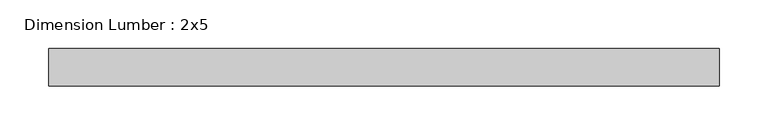
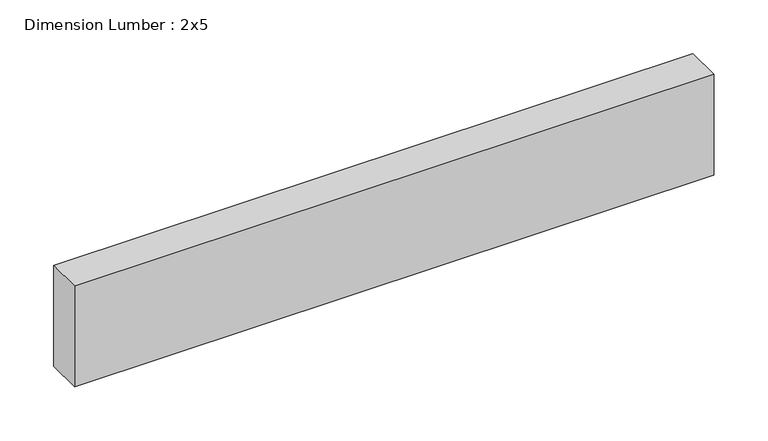
"""IFC4 building model written with IfcOpenShell, lengths in millimetres: beam geometry, Dimension Lumber : 2x5."""

from ifc_helpers import new_model, si_unit, frame, origin, place, context, project, spatial, polyline, outline, extrude, source, transform, mapped, element, save


def dimension_lumber_2x5_8aabe6ad(model_context):
    return source(origin(), model_context, "Body", "SweptSolid", [
        extrude(outline(polyline([(341.973165, 19.05), (341.973165, -19.05), (-341.973165, -19.05), (-341.973165, 19.05), (341.973165, 19.05)])), frame((0.0, 0.0, -57.15), z_axis=(0.0, 0.0, 1.0), x_axis=(1.0, 0.0, 0.0)), (0.0, 0.0, 1.0), 114.3),
    ])


if __name__ == "__main__":
    model = new_model("IFC4")
    model_context = context("Model", 3, world=origin())
    ifc_project = project(units=[si_unit("LENGTHUNIT", "METRE", prefix="MILLI")], contexts=[model_context])
    site = spatial("IfcSite", under=ifc_project)
    building = spatial("IfcBuilding", under=site)
    placement = place(None, origin())
    dimension_lumber_2x5_shape = dimension_lumber_2x5_8aabe6ad(model_context)
    element("IfcBeam", 1, ObjectType="Dimension Lumber : 2x5", at=placement, inside=building, context=model_context, shape_type="MappedRepresentation", body=[
        mapped(dimension_lumber_2x5_shape, transform((0.0, 0.0, 0.0), x_axis=(1.0, 0.0, 0.0), y_axis=(0.0, 1.0, 0.0), z_axis=(0.0, 0.0, 1.0))),
    ])
    save(model, "model.ifc")
